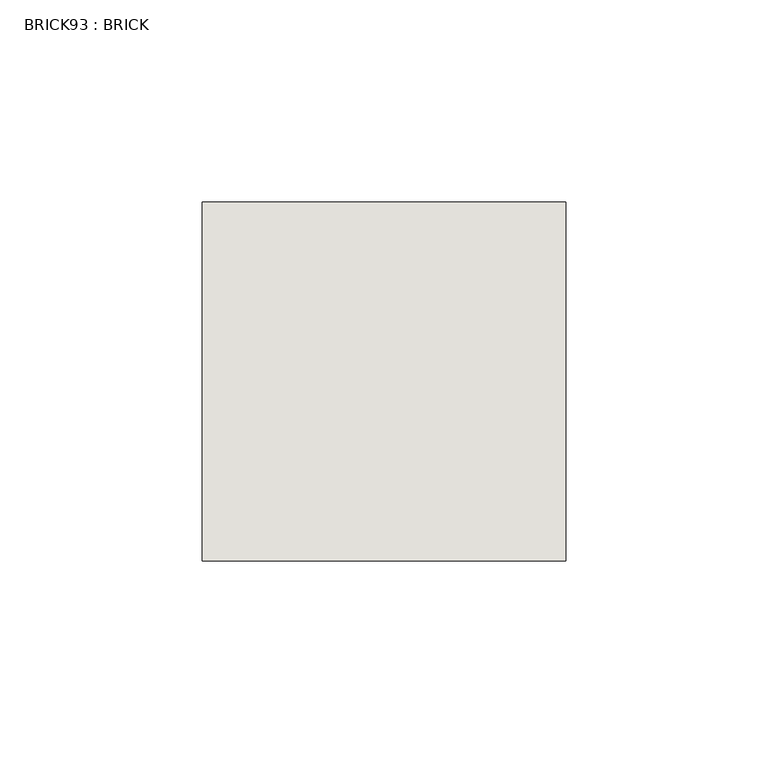
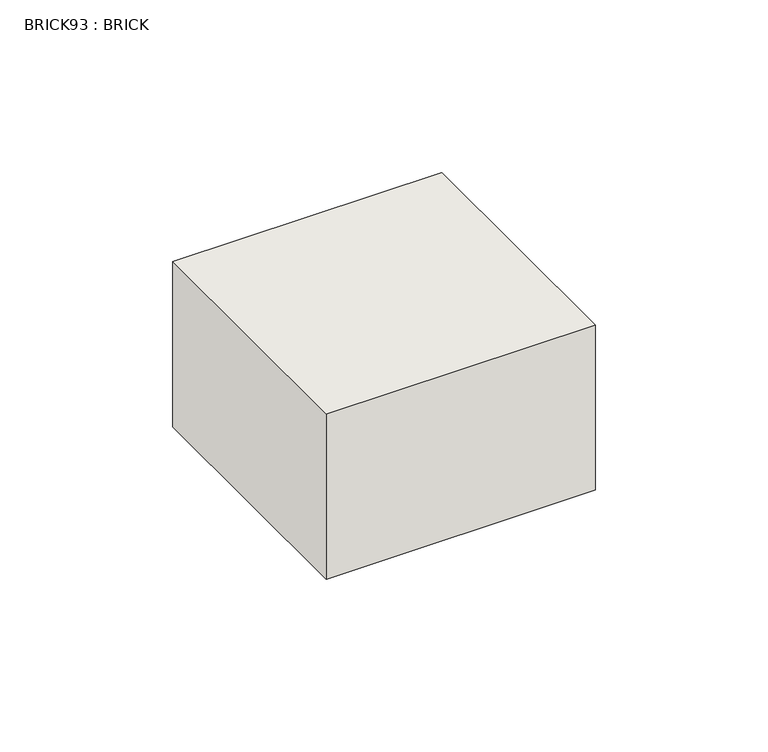
"""IFC4 building model written with IfcOpenShell, lengths in millimetres: wall geometry, BRICK93 : BRICK."""

from ifc_helpers import new_model, si_unit, frame, origin, place, context, project, spatial, polyline, outline, extrude, source, transform, mapped, element, save


def brick93_brick_c68d3c3f(model_context):
    return source(origin(), model_context, "Body", "SweptSolid", [
        extrude(outline(polyline([(1544.9272594, 2586.2274125), (1634.9530711, 2586.2274125), (1634.9530711, 2497.3274125), (1544.9272594, 2497.3274125), (1544.9272594, 2586.2274125)])), frame((0.0, 0.0, 235.9421875), z_axis=(0.0, 0.0, 1.0), x_axis=(1.0, 0.0, 0.0)), (0.0, 0.0, 1.0), 58.4398437),
    ])


if __name__ == "__main__":
    model = new_model("IFC4")
    model_context = context("Model", 3, world=origin())
    ifc_project = project(units=[si_unit("LENGTHUNIT", "METRE", prefix="MILLI")], contexts=[model_context])
    site = spatial("IfcSite", under=ifc_project)
    building = spatial("IfcBuilding", under=site)
    placement = place(None, origin())
    brick93_brick_shape = brick93_brick_c68d3c3f(model_context)
    element("IfcWall", 1, ObjectType="BRICK93 : BRICK", at=placement, inside=building, context=model_context, shape_type="MappedRepresentation", body=[
        mapped(brick93_brick_shape, transform((0.0, 0.0, 0.0), x_axis=(1.0, 0.0, 0.0), y_axis=(0.0, 1.0, 0.0), z_axis=(0.0, 0.0, 1.0))),
    ])
    save(model, "model.ifc")
